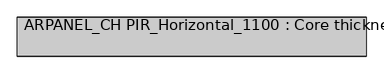
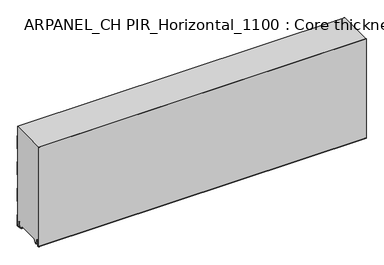
"""IFC4 building model written with IfcOpenShell, lengths in millimetres: plate geometry, ARPANEL_CH PIR_Horizontal_1100 : Core thickness - 140 mm."""

from ifc_helpers import new_model, si_unit, frame, origin, place, context, project, spatial, polyline, circle_curve, source, transform, mapped, element, save
from ifc_brep_helpers import plane_surface, cylinder_surface, revolved_surface, advanced_brep


def arpanel_ch_pir_horizontal_1100_core_thickness_140_mm_c5b9d94b(model_context):
    return source(origin(), model_context, "Body", "AdvancedBrep", [
        advanced_brep(
        [(620.0, -139.9996949, 3.0900682), (620.0, -133.81449, 2.7875612), (620.0, -132.197116, 19.2828169), (620.0, -129.1776715, 21.9898782), (620.0, -126.1582271, 19.2828169), (620.0, -124.7725998, 5.1510966), (620.0, -120.3830995, 5.365779), (620.0, -121.1830995, 5.365779), (620.0, -123.9764178, 5.2291629), (620.0, -125.3620451, 19.3608832), (620.0, -129.1776715, 22.7899182), (620.0, -132.9932979, 19.3608832), (620.0, -134.6106719, 2.8656275), (620.0, -139.1996949, 3.0900682), (620.0, -139.2, 400.0), (620.0, -139.9996949, 400.0), (-620.0, -139.1996949, 3.0900682), (-620.0, -134.6106719, 2.8656275), (-620.0, -132.9932979, 19.3608832), (-620.0, -129.1776715, 22.7899182), (-620.0, -125.3620451, 19.3608832), (-620.0, -123.9764178, 5.2291629), (-620.0, -121.1830995, 5.365779), (-620.0, -120.3830995, 5.365779), (-620.0, -124.7725998, 5.1510966), (-620.0, -126.1582271, 19.2828169), (-620.0, -129.1776715, 21.9898782), (-620.0, -132.197116, 19.2828169), (-620.0, -133.81449, 2.7875612), (-620.0, -139.9996949, 3.0900682), (-620.0, -139.9996949, 400.0), (-620.0, -139.2, 400.0)],
        [
            (0, 1, circle_curve(frame((620.0, -136.8996949, 3.0900682), z_axis=(1.0, 0.0, 0.0), x_axis=(0.0, 0.0, -1.0)), 3.1)),
            (1, 2),
            (2, 3, circle_curve(frame((620.0, -129.2114338, 18.9900682), z_axis=(-1.0, 0.0, 0.0), x_axis=(0.0, 0.0, -1.0)), 3.0)),
            (3, 4, circle_curve(frame((620.0, -129.1439093, 18.9900682), z_axis=(-1.0, 0.0, 0.0), x_axis=(0.0, 0.0, -1.0)), 3.0)),
            (4, 5),
            (5, 6, circle_curve(frame((620.0, -122.5830995, 5.365779), z_axis=(1.0, 0.0, 0.0), x_axis=(0.0, 0.0, -1.0)), 2.2)),
            (6, 7),
            (7, 8, circle_curve(frame((620.0, -122.5830995, 5.365779), z_axis=(-1.0, 0.0, 0.0), x_axis=(0.0, 0.0, -1.0)), 1.4)),
            (8, 9),
            (9, 10, circle_curve(frame((620.0, -129.1439093, 18.9900682), z_axis=(1.0, 0.0, 0.0), x_axis=(0.0, 0.0, -1.0)), 3.8)),
            (10, 11, circle_curve(frame((620.0, -129.2114338, 18.9900682), z_axis=(1.0, 0.0, 0.0), x_axis=(0.0, 0.0, -1.0)), 3.8)),
            (11, 12),
            (12, 13, circle_curve(frame((620.0, -136.8996949, 3.0900682), z_axis=(-1.0, 0.0, 0.0), x_axis=(0.0, 0.0, -1.0)), 2.3)),
            (13, 14),
            (14, 15),
            (15, 0),
            (16, 17, circle_curve(frame((-620.0, -136.8996949, 3.0900682), z_axis=(1.0, 0.0, 0.0), x_axis=(0.0, 0.0, -1.0)), 2.3)),
            (17, 18),
            (18, 19, circle_curve(frame((-620.0, -129.2114338, 18.9900682), z_axis=(-1.0, 0.0, 0.0), x_axis=(0.0, 0.0, -1.0)), 3.8)),
            (19, 20, circle_curve(frame((-620.0, -129.1439093, 18.9900682), z_axis=(-1.0, 0.0, 0.0), x_axis=(0.0, 0.0, -1.0)), 3.8)),
            (20, 21),
            (21, 22, circle_curve(frame((-620.0, -122.5830995, 5.365779), z_axis=(1.0, 0.0, 0.0), x_axis=(0.0, 0.0, -1.0)), 1.4)),
            (22, 23),
            (23, 24, circle_curve(frame((-620.0, -122.5830995, 5.365779), z_axis=(-1.0, 0.0, 0.0), x_axis=(0.0, 0.0, -1.0)), 2.2)),
            (24, 25),
            (25, 26, circle_curve(frame((-620.0, -129.1439093, 18.9900682), z_axis=(1.0, 0.0, 0.0), x_axis=(0.0, 0.0, -1.0)), 3.0)),
            (26, 27, circle_curve(frame((-620.0, -129.2114338, 18.9900682), z_axis=(1.0, 0.0, 0.0), x_axis=(0.0, 0.0, -1.0)), 3.0)),
            (27, 28),
            (28, 29, circle_curve(frame((-620.0, -136.8996949, 3.0900682), z_axis=(-1.0, 0.0, 0.0), x_axis=(0.0, 0.0, -1.0)), 3.1)),
            (29, 30),
            (30, 31),
            (31, 16),
            (13, 16),
            (31, 14),
            (29, 0),
            (15, 30),
            (12, 17),
            (11, 18),
            (10, 19),
            (9, 20),
            (8, 21),
            (7, 22),
            (6, 23),
            (5, 24),
            (4, 25),
            (3, 26),
            (2, 27),
            (1, 28),
        ],
        [
            plane_surface(frame((620.0, -140.0, 0.0), z_axis=(1.0, 0.0, 0.0), x_axis=(0.0, 1.0, 0.0))),
            plane_surface(frame((-620.0, -140.0, 0.0), z_axis=(-1.0, 0.0, 0.0), x_axis=(0.0, 1.0, 0.0))),
            plane_surface(frame((620.0, -139.2, 3.0900682), z_axis=(0.0, 1.0, 0.0), x_axis=(-1.0, 0.0, 0.0))),
            plane_surface(frame((620.0, -139.9996949, 1093.9000005), z_axis=(0.0, -1.0, 0.0), x_axis=(-1.0, 0.0, 0.0))),
            revolved_surface(polyline([(-620.0, -136.8996949, 0.7900682000000003), (620.0, -136.8996949, 0.7900682000000003)]), (620.0, -136.8996949, 3.0900682), (-1.0, 0.0, 0.0)),
            plane_surface(frame((620.0, -132.9932979, 19.3608832), z_axis=(0.0, -0.9952273999818314, 0.09758289975914787), x_axis=(-1.0, 0.0, 0.0))),
            cylinder_surface(frame((620.0, -129.2114338, 18.9900682), z_axis=(1.0, 0.0, 0.0), x_axis=(0.0, 0.0, -1.0)), 3.8),
            cylinder_surface(frame((620.0, -129.1439093, 18.9900682), z_axis=(1.0, 0.0, 0.0), x_axis=(0.0, 0.0, -1.0)), 3.8),
            plane_surface(frame((620.0, -123.9764178, 5.2291629), z_axis=(0.0, 0.9952273999818297, 0.09758289975916531), x_axis=(-1.0, 0.0, 0.0))),
            revolved_surface(polyline([(-620.0, -122.5830995, 3.965779), (620.0, -122.5830995, 3.965779)]), (620.0, -122.5830995, 5.365779), (-1.0, 0.0, 0.0)),
            plane_surface(frame((620.0, -120.3830995, 5.365779), z_axis=(0.0, 0.0, 1.0), x_axis=(-1.0, 0.0, 0.0))),
            cylinder_surface(frame((620.0, -122.5830995, 5.365779), z_axis=(1.0, 0.0, 0.0), x_axis=(0.0, 0.0, -1.0)), 2.2),
            plane_surface(frame((620.0, -126.1582271, 19.2828169), z_axis=(0.0, -0.9952273999818296, -0.09758289975916527), x_axis=(-1.0, 0.0, 0.0))),
            revolved_surface(polyline([(-620.0, -129.1439093, 15.9900682), (620.0, -129.1439093, 15.9900682)]), (620.0, -129.1439093, 18.9900682), (-1.0, 0.0, 0.0)),
            revolved_surface(polyline([(-620.0, -129.2114338, 15.9900682), (620.0, -129.2114338, 15.9900682)]), (620.0, -129.2114338, 18.9900682), (-1.0, 0.0, 0.0)),
            plane_surface(frame((620.0, -133.81449, 2.7875612), z_axis=(0.0, 0.9952273999818314, -0.09758289975914787), x_axis=(-1.0, 0.0, 0.0))),
            cylinder_surface(frame((620.0, -136.8996949, 3.0900682), z_axis=(1.0, 0.0, 0.0), x_axis=(0.0, 0.0, -1.0)), 3.1),
            plane_surface(frame((-620.0, 134.0533409, 400.0), z_axis=(0.0, 0.0, 1.0), x_axis=(1.0, 0.0, 0.0))),
        ],
        [
            (0, [[1, 2, 3, 4, 5, 6, 7, 8, 9, 10, 11, 12, 13, 14, 15, 16]]),
            (1, [[17, 18, 19, 20, 21, 22, 23, 24, 25, 26, 27, 28, 29, 30, 31, 32]]),
            (2, [[33, -32, 34, -14]]),
            (3, [[35, -16, 36, -30]]),
            (4, [[-13, 37, -17, -33]]),
            (5, [[-12, 38, -18, -37]]),
            (6, [[-11, 39, -19, -38]]),
            (7, [[-10, 40, -20, -39]]),
            (8, [[-9, 41, -21, -40]]),
            (9, [[-8, 42, -22, -41]]),
            (10, [[-7, 43, -23, -42]]),
            (11, [[-6, 44, -24, -43]]),
            (12, [[-5, 45, -25, -44]]),
            (13, [[-4, 46, -26, -45]]),
            (14, [[-3, 47, -27, -46]]),
            (15, [[-2, 48, -28, -47]]),
            (16, [[-1, -35, -29, -48]]),
            (17, [[-15, -34, -31, -36]]),
        ],
    ),
        advanced_brep(
        [(620.0, -109.873448, 15.1417681), (620.0, -30.126552, 15.1417681), (620.0, -23.4071318, 3.165779), (620.0, -17.4169005, 3.165779), (620.0, -19.6169005, 5.365779), (620.0, -18.8169005, 5.365779), (620.0, -16.0235822, 5.2291629), (620.0, -14.6379549, 19.3608832), (620.0, -10.8223285, 22.7899182), (620.0, -7.0067021, 19.3608832), (620.0, -5.3893281, 2.8656275), (620.0, -0.8003051, 3.0900682), (620.0, -0.8, 44.6827637), (620.0, -1.0986697, 45.7341795), (620.0, -1.5003051, 47.1545605), (620.0, -1.5003051, 97.3143437), (620.0, -1.0971009, 98.7337551), (620.0, -0.8, 99.7861405), (620.0, -0.8, 149.9459237), (620.0, -1.0986697, 150.9973395), (620.0, -1.5003051, 152.4177205), (620.0, -1.5003051, 202.5775037), (620.0, -1.0971009, 203.9969151), (620.0, -0.8, 205.0493005), (620.0, -0.8, 255.2090837), (620.0, -1.0986697, 256.2604995), (620.0, -1.5003051, 257.6808805), (620.0, -1.5003051, 307.8406637), (620.0, -1.0971009, 309.2600751), (620.0, -0.8, 310.3124605), (620.0, -0.8, 360.4722437), (620.0, -1.0986697, 361.5236595), (620.0, -1.5003051, 362.9440405), (620.0, -1.5003051, 400.0), (620.0, -139.2, 400.0), (620.0, -139.2, 3.0900682), (620.0, -134.6106719, 2.8656275), (620.0, -132.9932979, 19.3608832), (620.0, -129.1776715, 22.7899182), (620.0, -125.3620451, 19.3608832), (620.0, -123.9764178, 5.2291629), (620.0, -121.1830995, 5.365779), (620.0, -120.3830995, 5.365779), (620.0, -122.5830995, 3.165779), (620.0, -116.5928682, 3.165779), (-620.0, -30.126552, 15.1417681), (-620.0, -109.873448, 15.1417681), (-620.0, -116.5928682, 3.165779), (-620.0, -122.5830995, 3.165779), (-620.0, -120.3830995, 5.365779), (-620.0, -121.1830995, 5.365779), (-620.0, -123.9764178, 5.2291629), (-620.0, -125.3620451, 19.3608832), (-620.0, -129.1776715, 22.7899182), (-620.0, -132.9932979, 19.3608832), (-620.0, -134.6106719, 2.8656275), (-620.0, -139.1996949, 3.0900682), (-620.0, -139.2, 400.0), (-620.0, -1.5003051, 400.0), (-620.0, -1.5003051, 362.9440405), (-620.0, -1.0971009, 361.5246291), (-620.0, -0.8, 360.4722437), (-620.0, -0.8, 310.3124605), (-620.0, -1.0986697, 309.2610446), (-620.0, -1.5003051, 307.8406637), (-620.0, -1.5003051, 257.6808805), (-620.0, -1.0971009, 256.2614691), (-620.0, -0.8, 255.2090837), (-620.0, -0.8, 205.0493005), (-620.0, -1.0986697, 203.9978846), (-620.0, -1.5003051, 202.5775037), (-620.0, -1.5003051, 152.4177205), (-620.0, -1.0971009, 150.9983091), (-620.0, -0.8, 149.9459237), (-620.0, -0.8, 99.7861405), (-620.0, -1.0986697, 98.7347246), (-620.0, -1.5003051, 97.3143437), (-620.0, -1.5003051, 47.1545605), (-620.0, -1.0971009, 45.7351491), (-620.0, -0.8, 44.6827637), (-620.0, -0.8, 3.0900682), (-620.0, -5.3893281, 2.8656275), (-620.0, -7.0067021, 19.3608832), (-620.0, -10.8223285, 22.7899182), (-620.0, -14.6379549, 19.3608832), (-620.0, -16.0235822, 5.2291629), (-620.0, -18.8169005, 5.365779), (-620.0, -19.6169005, 5.365779), (-620.0, -17.4169005, 3.165779), (-620.0, -23.4071318, 3.165779)],
        [
            (0, 1),
            (1, 2),
            (2, 3),
            (3, 4, circle_curve(frame((620.0, -17.4169005, 5.365779), z_axis=(-1.0, 0.0, 0.0), x_axis=(0.0, 0.0, -1.0)), 2.2)),
            (4, 5),
            (5, 6, circle_curve(frame((620.0, -17.4169005, 5.365779), z_axis=(1.0, 0.0, 0.0), x_axis=(0.0, 0.0, -1.0)), 1.4)),
            (6, 7),
            (7, 8, circle_curve(frame((620.0, -10.8560907, 18.9900682), z_axis=(-1.0, 0.0, 0.0), x_axis=(0.0, 0.0, -1.0)), 3.8)),
            (8, 9, circle_curve(frame((620.0, -10.7885662, 18.9900682), z_axis=(-1.0, 0.0, 0.0), x_axis=(0.0, 0.0, -1.0)), 3.8)),
            (9, 10),
            (10, 11, circle_curve(frame((620.0, -3.1003051, 3.0900682), z_axis=(1.0, 0.0, 0.0), x_axis=(0.0, 0.0, -1.0)), 2.3)),
            (11, 12),
            (12, 13, circle_curve(frame((620.0, -2.8, 44.6827637), z_axis=(1.0, 0.0, 0.0), x_axis=(0.0, 0.0, -1.0)), 2.0)),
            (13, 14, circle_curve(frame((620.0, 1.1996949, 47.1545605), z_axis=(-1.0, 0.0, 0.0), x_axis=(0.0, 0.0, -1.0)), 2.7)),
            (14, 15),
            (15, 16, circle_curve(frame((620.0, 1.1996949, 97.3143437), z_axis=(-1.0, 0.0, 0.0), x_axis=(0.0, 0.0, -1.0)), 2.7)),
            (16, 17, circle_curve(frame((620.0, -2.8, 99.7861405), z_axis=(1.0, 0.0, 0.0), x_axis=(0.0, 0.0, -1.0)), 2.0)),
            (17, 18),
            (18, 19, circle_curve(frame((620.0, -2.8, 149.9459237), z_axis=(1.0, 0.0, 0.0), x_axis=(0.0, 0.0, -1.0)), 2.0)),
            (19, 20, circle_curve(frame((620.0, 1.1996949, 152.4177205), z_axis=(-1.0, 0.0, 0.0), x_axis=(0.0, 0.0, -1.0)), 2.7)),
            (20, 21),
            (21, 22, circle_curve(frame((620.0, 1.1996949, 202.5775037), z_axis=(-1.0, 0.0, 0.0), x_axis=(0.0, 0.0, -1.0)), 2.7)),
            (22, 23, circle_curve(frame((620.0, -2.8, 205.0493005), z_axis=(1.0, 0.0, 0.0), x_axis=(0.0, 0.0, -1.0)), 2.0)),
            (23, 24),
            (24, 25, circle_curve(frame((620.0, -2.8, 255.2090837), z_axis=(1.0, 0.0, 0.0), x_axis=(0.0, 0.0, -1.0)), 2.0)),
            (25, 26, circle_curve(frame((620.0, 1.1996949, 257.6808805), z_axis=(-1.0, 0.0, 0.0), x_axis=(0.0, 0.0, -1.0)), 2.7)),
            (26, 27),
            (27, 28, circle_curve(frame((620.0, 1.1996949, 307.8406637), z_axis=(-1.0, 0.0, 0.0), x_axis=(0.0, 0.0, -1.0)), 2.7)),
            (28, 29, circle_curve(frame((620.0, -2.8, 310.3124605), z_axis=(1.0, 0.0, 0.0), x_axis=(0.0, 0.0, -1.0)), 2.0)),
            (29, 30),
            (30, 31, circle_curve(frame((620.0, -2.8, 360.4722437), z_axis=(1.0, 0.0, 0.0), x_axis=(0.0, 0.0, -1.0)), 2.0)),
            (31, 32, circle_curve(frame((620.0, 1.1996949, 362.9440405), z_axis=(-1.0, 0.0, 0.0), x_axis=(0.0, 0.0, -1.0)), 2.7)),
            (32, 33),
            (33, 34),
            (34, 35),
            (35, 36, circle_curve(frame((620.0, -136.8996949, 3.0900682), z_axis=(1.0, 0.0, 0.0), x_axis=(0.0, 0.0, -1.0)), 2.3)),
            (36, 37),
            (37, 38, circle_curve(frame((620.0, -129.2114338, 18.9900682), z_axis=(-1.0, 0.0, 0.0), x_axis=(0.0, 0.0, -1.0)), 3.8)),
            (38, 39, circle_curve(frame((620.0, -129.1439093, 18.9900682), z_axis=(-1.0, 0.0, 0.0), x_axis=(0.0, 0.0, -1.0)), 3.8)),
            (39, 40),
            (40, 41, circle_curve(frame((620.0, -122.5830995, 5.365779), z_axis=(1.0, 0.0, 0.0), x_axis=(0.0, 0.0, -1.0)), 1.4)),
            (41, 42),
            (42, 43, circle_curve(frame((620.0, -122.5830995, 5.365779), z_axis=(-1.0, 0.0, 0.0), x_axis=(0.0, 0.0, -1.0)), 2.2)),
            (43, 44),
            (44, 0),
            (45, 46),
            (46, 47),
            (47, 48),
            (48, 49, circle_curve(frame((-620.0, -122.5830995, 5.365779), z_axis=(1.0, 0.0, 0.0), x_axis=(0.0, 0.0, -1.0)), 2.2)),
            (49, 50),
            (50, 51, circle_curve(frame((-620.0, -122.5830995, 5.365779), z_axis=(-1.0, 0.0, 0.0), x_axis=(0.0, 0.0, -1.0)), 1.4)),
            (51, 52),
            (52, 53, circle_curve(frame((-620.0, -129.1439093, 18.9900682), z_axis=(1.0, 0.0, 0.0), x_axis=(0.0, 0.0, -1.0)), 3.8)),
            (53, 54, circle_curve(frame((-620.0, -129.2114338, 18.9900682), z_axis=(1.0, 0.0, 0.0), x_axis=(0.0, 0.0, -1.0)), 3.8)),
            (54, 55),
            (55, 56, circle_curve(frame((-620.0, -136.8996949, 3.0900682), z_axis=(-1.0, 0.0, 0.0), x_axis=(0.0, 0.0, -1.0)), 2.3)),
            (56, 57),
            (57, 58),
            (58, 59),
            (59, 60, circle_curve(frame((-620.0, 1.1996949, 362.9440405), z_axis=(1.0, 0.0, 0.0), x_axis=(0.0, 0.0, -1.0)), 2.7)),
            (60, 61, circle_curve(frame((-620.0, -2.8, 360.4722437), z_axis=(-1.0, 0.0, 0.0), x_axis=(0.0, 0.0, -1.0)), 2.0)),
            (61, 62),
            (62, 63, circle_curve(frame((-620.0, -2.8, 310.3124605), z_axis=(-1.0, 0.0, 0.0), x_axis=(0.0, 0.0, -1.0)), 2.0)),
            (63, 64, circle_curve(frame((-620.0, 1.1996949, 307.8406637), z_axis=(1.0, 0.0, 0.0), x_axis=(0.0, 0.0, -1.0)), 2.7)),
            (64, 65),
            (65, 66, circle_curve(frame((-620.0, 1.1996949, 257.6808805), z_axis=(1.0, 0.0, 0.0), x_axis=(0.0, 0.0, -1.0)), 2.7)),
            (66, 67, circle_curve(frame((-620.0, -2.8, 255.2090837), z_axis=(-1.0, 0.0, 0.0), x_axis=(0.0, 0.0, -1.0)), 2.0)),
            (67, 68),
            (68, 69, circle_curve(frame((-620.0, -2.8, 205.0493005), z_axis=(-1.0, 0.0, 0.0), x_axis=(0.0, 0.0, -1.0)), 2.0)),
            (69, 70, circle_curve(frame((-620.0, 1.1996949, 202.5775037), z_axis=(1.0, 0.0, 0.0), x_axis=(0.0, 0.0, -1.0)), 2.7)),
            (70, 71),
            (71, 72, circle_curve(frame((-620.0, 1.1996949, 152.4177205), z_axis=(1.0, 0.0, 0.0), x_axis=(0.0, 0.0, -1.0)), 2.7)),
            (72, 73, circle_curve(frame((-620.0, -2.8, 149.9459237), z_axis=(-1.0, 0.0, 0.0), x_axis=(0.0, 0.0, -1.0)), 2.0)),
            (73, 74),
            (74, 75, circle_curve(frame((-620.0, -2.8, 99.7861405), z_axis=(-1.0, 0.0, 0.0), x_axis=(0.0, 0.0, -1.0)), 2.0)),
            (75, 76, circle_curve(frame((-620.0, 1.1996949, 97.3143437), z_axis=(1.0, 0.0, 0.0), x_axis=(0.0, 0.0, -1.0)), 2.7)),
            (76, 77),
            (77, 78, circle_curve(frame((-620.0, 1.1996949, 47.1545605), z_axis=(1.0, 0.0, 0.0), x_axis=(0.0, 0.0, -1.0)), 2.7)),
            (78, 79, circle_curve(frame((-620.0, -2.8, 44.6827637), z_axis=(-1.0, 0.0, 0.0), x_axis=(0.0, 0.0, -1.0)), 2.0)),
            (79, 80),
            (80, 81, circle_curve(frame((-620.0, -3.1003051, 3.0900682), z_axis=(-1.0, 0.0, 0.0), x_axis=(0.0, 0.0, -1.0)), 2.3)),
            (81, 82),
            (82, 83, circle_curve(frame((-620.0, -10.7885662, 18.9900682), z_axis=(1.0, 0.0, 0.0), x_axis=(0.0, 0.0, -1.0)), 3.8)),
            (83, 84, circle_curve(frame((-620.0, -10.8560907, 18.9900682), z_axis=(1.0, 0.0, 0.0), x_axis=(0.0, 0.0, -1.0)), 3.8)),
            (84, 85),
            (85, 86, circle_curve(frame((-620.0, -17.4169005, 5.365779), z_axis=(-1.0, 0.0, 0.0), x_axis=(0.0, 0.0, -1.0)), 1.4)),
            (86, 87),
            (87, 88, circle_curve(frame((-620.0, -17.4169005, 5.365779), z_axis=(1.0, 0.0, 0.0), x_axis=(0.0, 0.0, -1.0)), 2.2)),
            (88, 89),
            (89, 45),
            (1, 45),
            (89, 2),
            (0, 46),
            (44, 47),
            (72, 19),
            (18, 73),
            (71, 20),
            (70, 21),
            (69, 22),
            (68, 23),
            (67, 24),
            (66, 25),
            (65, 26),
            (64, 27),
            (63, 28),
            (62, 29),
            (61, 30),
            (60, 31),
            (59, 32),
            (58, 33),
            (56, 35),
            (34, 57),
            (88, 3),
            (43, 48),
            (87, 4),
            (86, 5),
            (85, 6),
            (84, 7),
            (83, 8),
            (82, 9),
            (81, 10),
            (80, 11),
            (79, 12),
            (78, 13),
            (77, 14),
            (76, 15),
            (75, 16),
            (74, 17),
            (55, 36),
            (54, 37),
            (53, 38),
            (52, 39),
            (51, 40),
            (50, 41),
            (49, 42),
        ],
        [
            plane_surface(frame((620.0, 0.0, 0.0), z_axis=(1.0, 0.0, 0.0), x_axis=(0.0, -1.0, 0.0))),
            plane_surface(frame((-620.0, 0.0, 0.0), z_axis=(-1.0, 0.0, 0.0), x_axis=(0.0, -1.0, 0.0))),
            plane_surface(frame((620.0, -30.126552, 15.1417681), z_axis=(0.0, -0.8721062992196836, -0.4893164649399687), x_axis=(-1.0, 0.0, 0.0))),
            plane_surface(frame((620.0, -109.873448, 15.1417681), z_axis=(0.0, 0.0, -1.0), x_axis=(-1.0, 0.0, 0.0))),
            plane_surface(frame((620.0, -116.8190247, 2.7627014), z_axis=(0.0, 0.8721062992196862, -0.4893164649399642), x_axis=(-1.0, 0.0, 0.0))),
            cylinder_surface(frame((750.0, -2.8, 149.9459237), z_axis=(-1.0, 0.0, 0.0), x_axis=(0.0, 0.0, -1.0)), 2.0),
            revolved_surface(polyline([(620.0, 1.1996949, 149.7177205), (-620.0, 1.1996949, 149.7177205)]), (750.0, 1.1996949, 152.4177205), (1.0, 0.0, 0.0)),
            plane_surface(frame((750.0, -1.5003051, 202.5775037), z_axis=(0.0, 1.0, 0.0), x_axis=(-1.0, 0.0, 0.0))),
            revolved_surface(polyline([(620.0, 1.1996949, 199.8775037), (-620.0, 1.1996949, 199.8775037)]), (750.0, 1.1996949, 202.5775037), (1.0, 0.0, 0.0)),
            cylinder_surface(frame((750.0, -2.8, 205.0493005), z_axis=(-1.0, 0.0, 0.0), x_axis=(0.0, 0.0, -1.0)), 2.0),
            plane_surface(frame((750.0, -0.8, 255.2090837), z_axis=(0.0, 1.0, 0.0), x_axis=(-1.0, 0.0, 0.0))),
            cylinder_surface(frame((750.0, -2.8, 255.2090837), z_axis=(-1.0, 0.0, 0.0), x_axis=(0.0, 0.0, -1.0)), 2.0),
            revolved_surface(polyline([(620.0, 1.1996949, 254.9808805), (-620.0, 1.1996949, 254.9808805)]), (750.0, 1.1996949, 257.6808805), (1.0, 0.0, 0.0)),
            plane_surface(frame((750.0, -1.5003051, 307.8406637), z_axis=(0.0, 1.0, 0.0), x_axis=(-1.0, 0.0, 0.0))),
            revolved_surface(polyline([(620.0, 1.1996949, 305.1406637), (-620.0, 1.1996949, 305.1406637)]), (750.0, 1.1996949, 307.8406637), (1.0, 0.0, 0.0)),
            cylinder_surface(frame((750.0, -2.8, 310.3124605), z_axis=(-1.0, 0.0, 0.0), x_axis=(0.0, 0.0, -1.0)), 2.0),
            plane_surface(frame((750.0, -0.8, 360.4722437), z_axis=(0.0, 1.0, 0.0), x_axis=(-1.0, 0.0, 0.0))),
            cylinder_surface(frame((750.0, -2.8, 360.4722437), z_axis=(-1.0, 0.0, 0.0), x_axis=(0.0, 0.0, -1.0)), 2.0),
            revolved_surface(polyline([(620.0, 1.1996949, 360.24404050000004), (-620.0, 1.1996949, 360.24404050000004)]), (750.0, 1.1996949, 362.9440405), (1.0, 0.0, 0.0)),
            plane_surface(frame((750.0, -1.5003051, 413.1038237), z_axis=(0.0, 1.0, 0.0), x_axis=(-1.0, 0.0, 0.0))),
            plane_surface(frame((750.0, -139.2, 3.0900682), z_axis=(0.0, -1.0, 0.0), x_axis=(-1.0, 0.0, 0.0))),
            plane_surface(frame((-620.0, -122.5830995, 3.165779), z_axis=(0.0, 0.0, -1.0), x_axis=(1.0, 0.0, 0.0))),
            revolved_surface(polyline([(620.0, -17.4169005, 3.1657789999999997), (-620.0, -17.4169005, 3.1657789999999997)]), (750.0, -17.4169005, 5.365779), (1.0, 0.0, 0.0)),
            plane_surface(frame((750.0, -18.8169005, 5.365779), z_axis=(0.0, 0.0, -1.0), x_axis=(-1.0, 0.0, 0.0))),
            cylinder_surface(frame((750.0, -17.4169005, 5.365779), z_axis=(-1.0, 0.0, 0.0), x_axis=(0.0, 0.0, -1.0)), 1.4),
            plane_surface(frame((750.0, -14.6379549, 19.3608832), z_axis=(0.0, 0.9952273999818297, -0.09758289975916531), x_axis=(-1.0, 0.0, 0.0))),
            revolved_surface(polyline([(620.0, -10.8560907, 15.190068199999999), (-620.0, -10.8560907, 15.190068199999999)]), (750.0, -10.8560907, 18.9900682), (1.0, 0.0, 0.0)),
            revolved_surface(polyline([(620.0, -10.7885662, 15.190068199999999), (-620.0, -10.7885662, 15.190068199999999)]), (750.0, -10.7885662, 18.9900682), (1.0, 0.0, 0.0)),
            plane_surface(frame((750.0, -5.3893281, 2.8656275), z_axis=(0.0, -0.9952273999818314, -0.09758289975914787), x_axis=(-1.0, 0.0, 0.0))),
            cylinder_surface(frame((750.0, -3.1003051, 3.0900682), z_axis=(-1.0, 0.0, 0.0), x_axis=(0.0, 0.0, -1.0)), 2.3),
            plane_surface(frame((750.0, -0.8, 44.6827637), z_axis=(0.0, 1.0, 0.0), x_axis=(-1.0, 0.0, 0.0))),
            cylinder_surface(frame((750.0, -2.8, 44.6827637), z_axis=(-1.0, 0.0, 0.0), x_axis=(0.0, 0.0, -1.0)), 2.0),
            revolved_surface(polyline([(620.0, 1.1996949, 44.4545605), (-620.0, 1.1996949, 44.4545605)]), (750.0, 1.1996949, 47.1545605), (1.0, 0.0, 0.0)),
            plane_surface(frame((750.0, -1.5003051, 97.3143437), z_axis=(0.0, 1.0, 0.0), x_axis=(-1.0, 0.0, 0.0))),
            revolved_surface(polyline([(620.0, 1.1996949, 94.61434369999999), (-620.0, 1.1996949, 94.61434369999999)]), (750.0, 1.1996949, 97.3143437), (1.0, 0.0, 0.0)),
            cylinder_surface(frame((750.0, -2.8, 99.7861405), z_axis=(-1.0, 0.0, 0.0), x_axis=(0.0, 0.0, -1.0)), 2.0),
            plane_surface(frame((750.0, -0.8, 149.9459237), z_axis=(0.0, 1.0, 0.0), x_axis=(-1.0, 0.0, 0.0))),
            cylinder_surface(frame((750.0, -136.8996949, 3.0900682), z_axis=(-1.0, 0.0, 0.0), x_axis=(0.0, 0.0, -1.0)), 2.3),
            plane_surface(frame((750.0, -132.9932979, 19.3608832), z_axis=(0.0, 0.9952273999818314, -0.09758289975914787), x_axis=(-1.0, 0.0, 0.0))),
            revolved_surface(polyline([(620.0, -129.2114338, 15.190068199999999), (-620.0, -129.2114338, 15.190068199999999)]), (750.0, -129.2114338, 18.9900682), (1.0, 0.0, 0.0)),
            revolved_surface(polyline([(620.0, -129.1439093, 15.190068199999999), (-620.0, -129.1439093, 15.190068199999999)]), (750.0, -129.1439093, 18.9900682), (1.0, 0.0, 0.0)),
            plane_surface(frame((750.0, -123.9764178, 5.2291629), z_axis=(0.0, -0.9952273999818297, -0.09758289975916531), x_axis=(-1.0, 0.0, 0.0))),
            cylinder_surface(frame((750.0, -122.5830995, 5.365779), z_axis=(-1.0, 0.0, 0.0), x_axis=(0.0, 0.0, -1.0)), 1.4),
            plane_surface(frame((750.0, -120.3830995, 5.365779), z_axis=(0.0, 0.0, -1.0), x_axis=(-1.0, 0.0, 0.0))),
            revolved_surface(polyline([(620.0, -122.5830995, 3.1657789999999997), (-620.0, -122.5830995, 3.1657789999999997)]), (750.0, -122.5830995, 5.365779), (1.0, 0.0, 0.0)),
            plane_surface(frame((-620.0, 134.0533409, 400.0), z_axis=(0.0, 0.0, 1.0), x_axis=(1.0, 0.0, 0.0))),
        ],
        [
            (0, [[1, 2, 3, 4, 5, 6, 7, 8, 9, 10, 11, 12, 13, 14, 15, 16, 17, 18, 19, 20, 21, 22, 23, 24, 25, 26, 27, 28, 29, 30, 31, 32, 33, 34, 35, 36, 37, 38, 39, 40, 41, 42, 43, 44, 45]]),
            (1, [[46, 47, 48, 49, 50, 51, 52, 53, 54, 55, 56, 57, 58, 59, 60, 61, 62, 63, 64, 65, 66, 67, 68, 69, 70, 71, 72, 73, 74, 75, 76, 77, 78, 79, 80, 81, 82, 83, 84, 85, 86, 87, 88, 89, 90]]),
            (2, [[91, -90, 92, -2]]),
            (3, [[-1, 93, -46, -91]]),
            (4, [[-93, -45, 94, -47]]),
            (5, [[95, -19, 96, -73]]),
            (6, [[-95, -72, 97, -20]]),
            (7, [[-97, -71, 98, -21]]),
            (8, [[-98, -70, 99, -22]]),
            (9, [[-99, -69, 100, -23]]),
            (10, [[-100, -68, 101, -24]]),
            (11, [[-101, -67, 102, -25]]),
            (12, [[-102, -66, 103, -26]]),
            (13, [[-103, -65, 104, -27]]),
            (14, [[-104, -64, 105, -28]]),
            (15, [[-105, -63, 106, -29]]),
            (16, [[-106, -62, 107, -30]]),
            (17, [[-107, -61, 108, -31]]),
            (18, [[-108, -60, 109, -32]]),
            (19, [[-109, -59, 110, -33]]),
            (20, [[111, -35, 112, -57]]),
            (21, [[-3, -92, -89, 113]]),
            (21, [[-44, 114, -48, -94]]),
            (22, [[115, -4, -113, -88]]),
            (23, [[-115, -87, 116, -5]]),
            (24, [[-116, -86, 117, -6]]),
            (25, [[-117, -85, 118, -7]]),
            (26, [[-118, -84, 119, -8]]),
            (27, [[-119, -83, 120, -9]]),
            (28, [[-120, -82, 121, -10]]),
            (29, [[-121, -81, 122, -11]]),
            (30, [[-122, -80, 123, -12]]),
            (31, [[-123, -79, 124, -13]]),
            (32, [[-124, -78, 125, -14]]),
            (33, [[-125, -77, 126, -15]]),
            (34, [[-126, -76, 127, -16]]),
            (35, [[-127, -75, 128, -17]]),
            (36, [[-128, -74, -96, -18]]),
            (37, [[-111, -56, 129, -36]]),
            (38, [[-129, -55, 130, -37]]),
            (39, [[-130, -54, 131, -38]]),
            (40, [[-131, -53, 132, -39]]),
            (41, [[-132, -52, 133, -40]]),
            (42, [[-133, -51, 134, -41]]),
            (43, [[-134, -50, 135, -42]]),
            (44, [[-135, -49, -114, -43]]),
            (45, [[-110, -58, -112, -34]]),
        ],
    ),
        advanced_brep(
        [(-620.0, -0.7003051, 362.9440405), (-620.0, -0.4016712, 361.8926826), (-620.0, -0.0003051, 360.4722437), (-620.0, -0.0003051, 310.3124605), (-620.0, -0.4034608, 308.8931274), (-620.0, -0.7003051, 307.8406637), (-620.0, -0.7003051, 257.6808805), (-620.0, -0.4016712, 256.6295226), (-620.0, -0.0003051, 255.2090837), (-620.0, -0.0003051, 205.0493005), (-620.0, -0.4034608, 203.6299674), (-620.0, -0.7003051, 202.5775037), (-620.0, -0.7003051, 152.4177205), (-620.0, -0.4016712, 151.3663626), (-620.0, -0.0003051, 149.9459237), (-620.0, -0.0003051, 99.7861405), (-620.0, -0.4034608, 98.3668074), (-620.0, -0.7003051, 97.3143437), (-620.0, -0.7003051, 47.1545605), (-620.0, -0.4016712, 46.1032026), (-620.0, -0.0003051, 44.6827637), (-620.0, -0.0003051, 3.0900682), (-620.0, -6.18551, 2.7875612), (-620.0, -7.802884, 19.2828169), (-620.0, -10.8223285, 21.9898782), (-620.0, -13.8417729, 19.2828169), (-620.0, -15.2274002, 5.1510966), (-620.0, -19.6169005, 5.365779), (-620.0, -18.8169005, 5.365779), (-620.0, -16.0235822, 5.2291629), (-620.0, -14.6379549, 19.3608832), (-620.0, -10.8223285, 22.7899182), (-620.0, -7.0067021, 19.3608832), (-620.0, -5.3893281, 2.8656275), (-620.0, -0.8003051, 3.0900682), (-620.0, -0.8, 44.6827637), (-620.0, -1.0986697, 45.7341795), (-620.0, -1.5003051, 47.1545605), (-620.0, -1.5003051, 97.3143437), (-620.0, -1.0971009, 98.7337551), (-620.0, -0.8, 99.7861405), (-620.0, -0.8, 149.9459237), (-620.0, -1.0986697, 150.9973395), (-620.0, -1.5003051, 152.4177205), (-620.0, -1.5003051, 202.5775037), (-620.0, -1.0971009, 203.9969151), (-620.0, -0.8, 205.0493005), (-620.0, -0.8, 255.2090837), (-620.0, -1.0986697, 256.2604995), (-620.0, -1.5003051, 257.6808805), (-620.0, -1.5003051, 307.8406637), (-620.0, -1.0971009, 309.2600751), (-620.0, -0.8, 310.3124605), (-620.0, -0.8, 360.4722437), (-620.0, -1.0986697, 361.5236595), (-620.0, -1.5003051, 362.9440405), (-620.0, -1.5003051, 400.0), (-620.0, -0.7003051, 400.0), (620.0, -1.5003051, 362.9440405), (620.0, -1.0971009, 361.5246291), (620.0, -0.8, 360.4722437), (620.0, -0.8, 310.3124605), (620.0, -1.0986697, 309.2610446), (620.0, -1.5003051, 307.8406637), (620.0, -1.5003051, 257.6808805), (620.0, -1.0971009, 256.2614691), (620.0, -0.8, 255.2090837), (620.0, -0.8, 205.0493005), (620.0, -1.0986697, 203.9978846), (620.0, -1.5003051, 202.5775037), (620.0, -1.5003051, 152.4177205), (620.0, -1.0971009, 150.9983091), (620.0, -0.8, 149.9459237), (620.0, -0.8, 99.7861405), (620.0, -1.0986697, 98.7347246), (620.0, -1.5003051, 97.3143437), (620.0, -1.5003051, 47.1545605), (620.0, -1.0971009, 45.7351491), (620.0, -0.8, 44.6827637), (620.0, -0.8, 3.0900682), (620.0, -5.3893281, 2.8656275), (620.0, -7.0067021, 19.3608832), (620.0, -10.8223285, 22.7899182), (620.0, -14.6379549, 19.3608832), (620.0, -16.0235822, 5.2291629), (620.0, -18.8169005, 5.365779), (620.0, -19.6169005, 5.365779), (620.0, -15.2274002, 5.1510966), (620.0, -13.8417729, 19.2828169), (620.0, -10.8223285, 21.9898782), (620.0, -7.802884, 19.2828169), (620.0, -6.18551, 2.7875612), (620.0, -0.0003051, 3.0900682), (620.0, -0.0003051, 44.6827637), (620.0, -0.4034608, 46.1020968), (620.0, -0.7003051, 47.1545605), (620.0, -0.7003051, 97.3143437), (620.0, -0.4016712, 98.3657015), (620.0, -0.0003051, 99.7861405), (620.0, -0.0003051, 149.9459237), (620.0, -0.4034608, 151.3652568), (620.0, -0.7003051, 152.4177205), (620.0, -0.7003051, 202.5775037), (620.0, -0.4016712, 203.6288615), (620.0, -0.0003051, 205.0493005), (620.0, -0.0003051, 255.2090837), (620.0, -0.4034608, 256.6284168), (620.0, -0.7003051, 257.6808805), (620.0, -0.7003051, 307.8406637), (620.0, -0.4016712, 308.8920215), (620.0, -0.0003051, 310.3124605), (620.0, -0.0003051, 360.4722437), (620.0, -0.4034608, 361.8915768), (620.0, -0.7003051, 362.9440405), (620.0, -0.7003051, 400.0), (620.0, -1.5003051, 400.0)],
        [
            (0, 1, circle_curve(frame((-620.0, 1.2996949, 362.9440405), z_axis=(1.0, 0.0, 0.0), x_axis=(0.0, 0.0, -1.0)), 2.0)),
            (1, 2, circle_curve(frame((-620.0, -2.7003051, 360.4722437), z_axis=(-1.0, 0.0, 0.0), x_axis=(0.0, 0.0, -1.0)), 2.7)),
            (2, 3),
            (3, 4, circle_curve(frame((-620.0, -2.7003051, 310.3124605), z_axis=(-1.0, 0.0, 0.0), x_axis=(0.0, 0.0, -1.0)), 2.7)),
            (4, 5, circle_curve(frame((-620.0, 1.2996949, 307.8406637), z_axis=(1.0, 0.0, 0.0), x_axis=(0.0, 0.0, -1.0)), 2.0)),
            (5, 6),
            (6, 7, circle_curve(frame((-620.0, 1.2996949, 257.6808805), z_axis=(1.0, 0.0, 0.0), x_axis=(0.0, 0.0, -1.0)), 2.0)),
            (7, 8, circle_curve(frame((-620.0, -2.7003051, 255.2090837), z_axis=(-1.0, 0.0, 0.0), x_axis=(0.0, 0.0, -1.0)), 2.7)),
            (8, 9),
            (9, 10, circle_curve(frame((-620.0, -2.7003051, 205.0493005), z_axis=(-1.0, 0.0, 0.0), x_axis=(0.0, 0.0, -1.0)), 2.7)),
            (10, 11, circle_curve(frame((-620.0, 1.2996949, 202.5775037), z_axis=(1.0, 0.0, 0.0), x_axis=(0.0, 0.0, -1.0)), 2.0)),
            (11, 12),
            (12, 13, circle_curve(frame((-620.0, 1.2996949, 152.4177205), z_axis=(1.0, 0.0, 0.0), x_axis=(0.0, 0.0, -1.0)), 2.0)),
            (13, 14, circle_curve(frame((-620.0, -2.7003051, 149.9459237), z_axis=(-1.0, 0.0, 0.0), x_axis=(0.0, 0.0, -1.0)), 2.7)),
            (14, 15),
            (15, 16, circle_curve(frame((-620.0, -2.7003051, 99.7861405), z_axis=(-1.0, 0.0, 0.0), x_axis=(0.0, 0.0, -1.0)), 2.7)),
            (16, 17, circle_curve(frame((-620.0, 1.2996949, 97.3143437), z_axis=(1.0, 0.0, 0.0), x_axis=(0.0, 0.0, -1.0)), 2.0)),
            (17, 18),
            (18, 19, circle_curve(frame((-620.0, 1.2996949, 47.1545605), z_axis=(1.0, 0.0, 0.0), x_axis=(0.0, 0.0, -1.0)), 2.0)),
            (19, 20, circle_curve(frame((-620.0, -2.7003051, 44.6827637), z_axis=(-1.0, 0.0, 0.0), x_axis=(0.0, 0.0, -1.0)), 2.7)),
            (20, 21),
            (21, 22, circle_curve(frame((-620.0, -3.1003051, 3.0900682), z_axis=(-1.0, 0.0, 0.0), x_axis=(0.0, 0.0, -1.0)), 3.1)),
            (22, 23),
            (23, 24, circle_curve(frame((-620.0, -10.7885662, 18.9900682), z_axis=(1.0, 0.0, 0.0), x_axis=(0.0, 0.0, -1.0)), 3.0)),
            (24, 25, circle_curve(frame((-620.0, -10.8560907, 18.9900682), z_axis=(1.0, 0.0, 0.0), x_axis=(0.0, 0.0, -1.0)), 3.0)),
            (25, 26),
            (26, 27, circle_curve(frame((-620.0, -17.4169005, 5.365779), z_axis=(-1.0, 0.0, 0.0), x_axis=(0.0, 0.0, -1.0)), 2.2)),
            (27, 28),
            (28, 29, circle_curve(frame((-620.0, -17.4169005, 5.365779), z_axis=(1.0, 0.0, 0.0), x_axis=(0.0, 0.0, -1.0)), 1.4)),
            (29, 30),
            (30, 31, circle_curve(frame((-620.0, -10.8560907, 18.9900682), z_axis=(-1.0, 0.0, 0.0), x_axis=(0.0, 0.0, -1.0)), 3.8)),
            (31, 32, circle_curve(frame((-620.0, -10.7885662, 18.9900682), z_axis=(-1.0, 0.0, 0.0), x_axis=(0.0, 0.0, -1.0)), 3.8)),
            (32, 33),
            (33, 34, circle_curve(frame((-620.0, -3.1003051, 3.0900682), z_axis=(1.0, 0.0, 0.0), x_axis=(0.0, 0.0, -1.0)), 2.3)),
            (34, 35),
            (35, 36, circle_curve(frame((-620.0, -2.8, 44.6827637), z_axis=(1.0, 0.0, 0.0), x_axis=(0.0, 0.0, -1.0)), 2.0)),
            (36, 37, circle_curve(frame((-620.0, 1.1996949, 47.1545605), z_axis=(-1.0, 0.0, 0.0), x_axis=(0.0, 0.0, -1.0)), 2.7)),
            (37, 38),
            (38, 39, circle_curve(frame((-620.0, 1.1996949, 97.3143437), z_axis=(-1.0, 0.0, 0.0), x_axis=(0.0, 0.0, -1.0)), 2.7)),
            (39, 40, circle_curve(frame((-620.0, -2.8, 99.7861405), z_axis=(1.0, 0.0, 0.0), x_axis=(0.0, 0.0, -1.0)), 2.0)),
            (40, 41),
            (41, 42, circle_curve(frame((-620.0, -2.8, 149.9459237), z_axis=(1.0, 0.0, 0.0), x_axis=(0.0, 0.0, -1.0)), 2.0)),
            (42, 43, circle_curve(frame((-620.0, 1.1996949, 152.4177205), z_axis=(-1.0, 0.0, 0.0), x_axis=(0.0, 0.0, -1.0)), 2.7)),
            (43, 44),
            (44, 45, circle_curve(frame((-620.0, 1.1996949, 202.5775037), z_axis=(-1.0, 0.0, 0.0), x_axis=(0.0, 0.0, -1.0)), 2.7)),
            (45, 46, circle_curve(frame((-620.0, -2.8, 205.0493005), z_axis=(1.0, 0.0, 0.0), x_axis=(0.0, 0.0, -1.0)), 2.0)),
            (46, 47),
            (47, 48, circle_curve(frame((-620.0, -2.8, 255.2090837), z_axis=(1.0, 0.0, 0.0), x_axis=(0.0, 0.0, -1.0)), 2.0)),
            (48, 49, circle_curve(frame((-620.0, 1.1996949, 257.6808805), z_axis=(-1.0, 0.0, 0.0), x_axis=(0.0, 0.0, -1.0)), 2.7)),
            (49, 50),
            (50, 51, circle_curve(frame((-620.0, 1.1996949, 307.8406637), z_axis=(-1.0, 0.0, 0.0), x_axis=(0.0, 0.0, -1.0)), 2.7)),
            (51, 52, circle_curve(frame((-620.0, -2.8, 310.3124605), z_axis=(1.0, 0.0, 0.0), x_axis=(0.0, 0.0, -1.0)), 2.0)),
            (52, 53),
            (53, 54, circle_curve(frame((-620.0, -2.8, 360.4722437), z_axis=(1.0, 0.0, 0.0), x_axis=(0.0, 0.0, -1.0)), 2.0)),
            (54, 55, circle_curve(frame((-620.0, 1.1996949, 362.9440405), z_axis=(-1.0, 0.0, 0.0), x_axis=(0.0, 0.0, -1.0)), 2.7)),
            (55, 56),
            (56, 57),
            (57, 0),
            (58, 59, circle_curve(frame((620.0, 1.1996949, 362.9440405), z_axis=(1.0, 0.0, 0.0), x_axis=(0.0, 0.0, -1.0)), 2.7)),
            (59, 60, circle_curve(frame((620.0, -2.8, 360.4722437), z_axis=(-1.0, 0.0, 0.0), x_axis=(0.0, 0.0, -1.0)), 2.0)),
            (60, 61),
            (61, 62, circle_curve(frame((620.0, -2.8, 310.3124605), z_axis=(-1.0, 0.0, 0.0), x_axis=(0.0, 0.0, -1.0)), 2.0)),
            (62, 63, circle_curve(frame((620.0, 1.1996949, 307.8406637), z_axis=(1.0, 0.0, 0.0), x_axis=(0.0, 0.0, -1.0)), 2.7)),
            (63, 64),
            (64, 65, circle_curve(frame((620.0, 1.1996949, 257.6808805), z_axis=(1.0, 0.0, 0.0), x_axis=(0.0, 0.0, -1.0)), 2.7)),
            (65, 66, circle_curve(frame((620.0, -2.8, 255.2090837), z_axis=(-1.0, 0.0, 0.0), x_axis=(0.0, 0.0, -1.0)), 2.0)),
            (66, 67),
            (67, 68, circle_curve(frame((620.0, -2.8, 205.0493005), z_axis=(-1.0, 0.0, 0.0), x_axis=(0.0, 0.0, -1.0)), 2.0)),
            (68, 69, circle_curve(frame((620.0, 1.1996949, 202.5775037), z_axis=(1.0, 0.0, 0.0), x_axis=(0.0, 0.0, -1.0)), 2.7)),
            (69, 70),
            (70, 71, circle_curve(frame((620.0, 1.1996949, 152.4177205), z_axis=(1.0, 0.0, 0.0), x_axis=(0.0, 0.0, -1.0)), 2.7)),
            (71, 72, circle_curve(frame((620.0, -2.8, 149.9459237), z_axis=(-1.0, 0.0, 0.0), x_axis=(0.0, 0.0, -1.0)), 2.0)),
            (72, 73),
            (73, 74, circle_curve(frame((620.0, -2.8, 99.7861405), z_axis=(-1.0, 0.0, 0.0), x_axis=(0.0, 0.0, -1.0)), 2.0)),
            (74, 75, circle_curve(frame((620.0, 1.1996949, 97.3143437), z_axis=(1.0, 0.0, 0.0), x_axis=(0.0, 0.0, -1.0)), 2.7)),
            (75, 76),
            (76, 77, circle_curve(frame((620.0, 1.1996949, 47.1545605), z_axis=(1.0, 0.0, 0.0), x_axis=(0.0, 0.0, -1.0)), 2.7)),
            (77, 78, circle_curve(frame((620.0, -2.8, 44.6827637), z_axis=(-1.0, 0.0, 0.0), x_axis=(0.0, 0.0, -1.0)), 2.0)),
            (78, 79),
            (79, 80, circle_curve(frame((620.0, -3.1003051, 3.0900682), z_axis=(-1.0, 0.0, 0.0), x_axis=(0.0, 0.0, -1.0)), 2.3)),
            (80, 81),
            (81, 82, circle_curve(frame((620.0, -10.7885662, 18.9900682), z_axis=(1.0, 0.0, 0.0), x_axis=(0.0, 0.0, -1.0)), 3.8)),
            (82, 83, circle_curve(frame((620.0, -10.8560907, 18.9900682), z_axis=(1.0, 0.0, 0.0), x_axis=(0.0, 0.0, -1.0)), 3.8)),
            (83, 84),
            (84, 85, circle_curve(frame((620.0, -17.4169005, 5.365779), z_axis=(-1.0, 0.0, 0.0), x_axis=(0.0, 0.0, -1.0)), 1.4)),
            (85, 86),
            (86, 87, circle_curve(frame((620.0, -17.4169005, 5.365779), z_axis=(1.0, 0.0, 0.0), x_axis=(0.0, 0.0, -1.0)), 2.2)),
            (87, 88),
            (88, 89, circle_curve(frame((620.0, -10.8560907, 18.9900682), z_axis=(-1.0, 0.0, 0.0), x_axis=(0.0, 0.0, -1.0)), 3.0)),
            (89, 90, circle_curve(frame((620.0, -10.7885662, 18.9900682), z_axis=(-1.0, 0.0, 0.0), x_axis=(0.0, 0.0, -1.0)), 3.0)),
            (90, 91),
            (91, 92, circle_curve(frame((620.0, -3.1003051, 3.0900682), z_axis=(1.0, 0.0, 0.0), x_axis=(0.0, 0.0, -1.0)), 3.1)),
            (92, 93),
            (93, 94, circle_curve(frame((620.0, -2.7003051, 44.6827637), z_axis=(1.0, 0.0, 0.0), x_axis=(0.0, 0.0, -1.0)), 2.7)),
            (94, 95, circle_curve(frame((620.0, 1.2996949, 47.1545605), z_axis=(-1.0, 0.0, 0.0), x_axis=(0.0, 0.0, -1.0)), 2.0)),
            (95, 96),
            (96, 97, circle_curve(frame((620.0, 1.2996949, 97.3143437), z_axis=(-1.0, 0.0, 0.0), x_axis=(0.0, 0.0, -1.0)), 2.0)),
            (97, 98, circle_curve(frame((620.0, -2.7003051, 99.7861405), z_axis=(1.0, 0.0, 0.0), x_axis=(0.0, 0.0, -1.0)), 2.7)),
            (98, 99),
            (99, 100, circle_curve(frame((620.0, -2.7003051, 149.9459237), z_axis=(1.0, 0.0, 0.0), x_axis=(0.0, 0.0, -1.0)), 2.7)),
            (100, 101, circle_curve(frame((620.0, 1.2996949, 152.4177205), z_axis=(-1.0, 0.0, 0.0), x_axis=(0.0, 0.0, -1.0)), 2.0)),
            (101, 102),
            (102, 103, circle_curve(frame((620.0, 1.2996949, 202.5775037), z_axis=(-1.0, 0.0, 0.0), x_axis=(0.0, 0.0, -1.0)), 2.0)),
            (103, 104, circle_curve(frame((620.0, -2.7003051, 205.0493005), z_axis=(1.0, 0.0, 0.0), x_axis=(0.0, 0.0, -1.0)), 2.7)),
            (104, 105),
            (105, 106, circle_curve(frame((620.0, -2.7003051, 255.2090837), z_axis=(1.0, 0.0, 0.0), x_axis=(0.0, 0.0, -1.0)), 2.7)),
            (106, 107, circle_curve(frame((620.0, 1.2996949, 257.6808805), z_axis=(-1.0, 0.0, 0.0), x_axis=(0.0, 0.0, -1.0)), 2.0)),
            (107, 108),
            (108, 109, circle_curve(frame((620.0, 1.2996949, 307.8406637), z_axis=(-1.0, 0.0, 0.0), x_axis=(0.0, 0.0, -1.0)), 2.0)),
            (109, 110, circle_curve(frame((620.0, -2.7003051, 310.3124605), z_axis=(1.0, 0.0, 0.0), x_axis=(0.0, 0.0, -1.0)), 2.7)),
            (110, 111),
            (111, 112, circle_curve(frame((620.0, -2.7003051, 360.4722437), z_axis=(1.0, 0.0, 0.0), x_axis=(0.0, 0.0, -1.0)), 2.7)),
            (112, 113, circle_curve(frame((620.0, 1.2996949, 362.9440405), z_axis=(-1.0, 0.0, 0.0), x_axis=(0.0, 0.0, -1.0)), 2.0)),
            (113, 114),
            (114, 115),
            (115, 58),
            (55, 58),
            (115, 56),
            (54, 59),
            (53, 60),
            (52, 61),
            (51, 62),
            (50, 63),
            (49, 64),
            (48, 65),
            (47, 66),
            (46, 67),
            (45, 68),
            (44, 69),
            (43, 70),
            (42, 71),
            (41, 72),
            (33, 80),
            (79, 34),
            (32, 81),
            (31, 82),
            (30, 83),
            (29, 84),
            (28, 85),
            (27, 86),
            (26, 87),
            (25, 88),
            (24, 89),
            (23, 90),
            (22, 91),
            (21, 92),
            (13, 100),
            (99, 14),
            (12, 101),
            (11, 102),
            (10, 103),
            (9, 104),
            (8, 105),
            (7, 106),
            (6, 107),
            (5, 108),
            (4, 109),
            (3, 110),
            (2, 111),
            (1, 112),
            (0, 113),
            (57, 114),
            (40, 73),
            (39, 74),
            (38, 75),
            (37, 76),
            (36, 77),
            (35, 78),
            (20, 93),
            (19, 94),
            (18, 95),
            (17, 96),
            (16, 97),
            (15, 98),
        ],
        [
            plane_surface(frame((-620.0, 0.0, 0.0), z_axis=(-1.0, 0.0, 0.0), x_axis=(0.0, -1.0, 0.0))),
            plane_surface(frame((620.0, 0.0, 0.0), z_axis=(1.0, 0.0, 0.0), x_axis=(0.0, -1.0, 0.0))),
            plane_surface(frame((-620.0, -1.5003051, 362.9440405), z_axis=(0.0, -1.0, 0.0), x_axis=(1.0, 0.0, 0.0))),
            cylinder_surface(frame((-620.0, 1.1996949, 362.9440405), z_axis=(-1.0, 0.0, 0.0), x_axis=(0.0, 0.0, -1.0)), 2.7),
            revolved_surface(polyline([(620.0, -2.8, 358.4722437), (-620.0, -2.8, 358.4722437)]), (-620.0, -2.8, 360.4722437), (1.0, 0.0, 0.0)),
            plane_surface(frame((-620.0, -0.8, 310.3124605), z_axis=(0.0, -1.0, 0.0), x_axis=(1.0, 0.0, 0.0))),
            revolved_surface(polyline([(620.0, -2.8, 308.3124605), (-620.0, -2.8, 308.3124605)]), (-620.0, -2.8, 310.3124605), (1.0, 0.0, 0.0)),
            cylinder_surface(frame((-620.0, 1.1996949, 307.8406637), z_axis=(-1.0, 0.0, 0.0), x_axis=(0.0, 0.0, -1.0)), 2.7),
            plane_surface(frame((-620.0, -1.5003051, 257.6808805), z_axis=(0.0, -1.0, 0.0), x_axis=(1.0, 0.0, 0.0))),
            cylinder_surface(frame((-620.0, 1.1996949, 257.6808805), z_axis=(-1.0, 0.0, 0.0), x_axis=(0.0, 0.0, -1.0)), 2.7),
            revolved_surface(polyline([(620.0, -2.8, 253.2090837), (-620.0, -2.8, 253.2090837)]), (-620.0, -2.8, 255.2090837), (1.0, 0.0, 0.0)),
            plane_surface(frame((-620.0, -0.8, 205.0493005), z_axis=(0.0, -1.0, 0.0), x_axis=(1.0, 0.0, 0.0))),
            revolved_surface(polyline([(620.0, -2.8, 203.0493005), (-620.0, -2.8, 203.0493005)]), (-620.0, -2.8, 205.0493005), (1.0, 0.0, 0.0)),
            cylinder_surface(frame((-620.0, 1.1996949, 202.5775037), z_axis=(-1.0, 0.0, 0.0), x_axis=(0.0, 0.0, -1.0)), 2.7),
            plane_surface(frame((-620.0, -1.5003051, 152.4177205), z_axis=(0.0, -1.0, 0.0), x_axis=(1.0, 0.0, 0.0))),
            cylinder_surface(frame((-620.0, 1.1996949, 152.4177205), z_axis=(-1.0, 0.0, 0.0), x_axis=(0.0, 0.0, -1.0)), 2.7),
            revolved_surface(polyline([(620.0, -2.8, 147.9459237), (-620.0, -2.8, 147.9459237)]), (-620.0, -2.8, 149.9459237), (1.0, 0.0, 0.0)),
            revolved_surface(polyline([(620.0, -3.1003051, 0.7900682000000003), (-620.0, -3.1003051, 0.7900682000000003)]), (-620.0, -3.1003051, 3.0900682), (1.0, 0.0, 0.0)),
            plane_surface(frame((-620.0, -7.0067021, 19.3608832), z_axis=(0.0, 0.9952273999818314, 0.09758289975914787), x_axis=(1.0, 0.0, 0.0))),
            cylinder_surface(frame((-620.0, -10.7885662, 18.9900682), z_axis=(-1.0, 0.0, 0.0), x_axis=(0.0, 0.0, -1.0)), 3.8),
            cylinder_surface(frame((-620.0, -10.8560907, 18.9900682), z_axis=(-1.0, 0.0, 0.0), x_axis=(0.0, 0.0, -1.0)), 3.8),
            plane_surface(frame((-620.0, -16.0235822, 5.2291629), z_axis=(0.0, -0.9952273999818297, 0.09758289975916531), x_axis=(1.0, 0.0, 0.0))),
            revolved_surface(polyline([(620.0, -17.4169005, 3.965779), (-620.0, -17.4169005, 3.965779)]), (-620.0, -17.4169005, 5.365779), (1.0, 0.0, 0.0)),
            plane_surface(frame((-620.0, -19.6169005, 5.365779), z_axis=(0.0, 0.0, 1.0), x_axis=(1.0, 0.0, 0.0))),
            cylinder_surface(frame((-620.0, -17.4169005, 5.365779), z_axis=(-1.0, 0.0, 0.0), x_axis=(0.0, 0.0, -1.0)), 2.2),
            plane_surface(frame((-620.0, -13.8417729, 19.2828169), z_axis=(0.0, 0.9952273999818296, -0.09758289975916527), x_axis=(1.0, 0.0, 0.0))),
            revolved_surface(polyline([(620.0, -10.8560907, 15.9900682), (-620.0, -10.8560907, 15.9900682)]), (-620.0, -10.8560907, 18.9900682), (1.0, 0.0, 0.0)),
            revolved_surface(polyline([(620.0, -10.7885662, 15.9900682), (-620.0, -10.7885662, 15.9900682)]), (-620.0, -10.7885662, 18.9900682), (1.0, 0.0, 0.0)),
            plane_surface(frame((-620.0, -6.18551, 2.7875612), z_axis=(0.0, -0.9952273999818314, -0.09758289975914787), x_axis=(1.0, 0.0, 0.0))),
            cylinder_surface(frame((-620.0, -3.1003051, 3.0900682), z_axis=(-1.0, 0.0, 0.0), x_axis=(0.0, 0.0, -1.0)), 3.1),
            cylinder_surface(frame((-620.0, -2.7003051, 149.9459237), z_axis=(-1.0, 0.0, 0.0), x_axis=(0.0, 0.0, -1.0)), 2.7),
            revolved_surface(polyline([(620.0, 1.2996949, 150.4177205), (-620.0, 1.2996949, 150.4177205)]), (-620.0, 1.2996949, 152.4177205), (1.0, 0.0, 0.0)),
            plane_surface(frame((-620.0, -0.7003051, 202.5775037), z_axis=(0.0, 1.0, 0.0), x_axis=(1.0, 0.0, 0.0))),
            revolved_surface(polyline([(620.0, 1.2996949, 200.5775037), (-620.0, 1.2996949, 200.5775037)]), (-620.0, 1.2996949, 202.5775037), (1.0, 0.0, 0.0)),
            cylinder_surface(frame((-620.0, -2.7003051, 205.0493005), z_axis=(-1.0, 0.0, 0.0), x_axis=(0.0, 0.0, -1.0)), 2.7),
            plane_surface(frame((-620.0, -0.0003051, 255.2090837), z_axis=(0.0, 1.0, 0.0), x_axis=(1.0, 0.0, 0.0))),
            cylinder_surface(frame((-620.0, -2.7003051, 255.2090837), z_axis=(-1.0, 0.0, 0.0), x_axis=(0.0, 0.0, -1.0)), 2.7),
            revolved_surface(polyline([(620.0, 1.2996949, 255.6808805), (-620.0, 1.2996949, 255.6808805)]), (-620.0, 1.2996949, 257.6808805), (1.0, 0.0, 0.0)),
            plane_surface(frame((-620.0, -0.7003051, 307.8406637), z_axis=(0.0, 1.0, 0.0), x_axis=(1.0, 0.0, 0.0))),
            revolved_surface(polyline([(620.0, 1.2996949, 305.8406637), (-620.0, 1.2996949, 305.8406637)]), (-620.0, 1.2996949, 307.8406637), (1.0, 0.0, 0.0)),
            cylinder_surface(frame((-620.0, -2.7003051, 310.3124605), z_axis=(-1.0, 0.0, 0.0), x_axis=(0.0, 0.0, -1.0)), 2.7),
            plane_surface(frame((-620.0, -0.0003051, 360.4722437), z_axis=(0.0, 1.0, 0.0), x_axis=(1.0, 0.0, 0.0))),
            cylinder_surface(frame((-620.0, -2.7003051, 360.4722437), z_axis=(-1.0, 0.0, 0.0), x_axis=(0.0, 0.0, -1.0)), 2.7),
            revolved_surface(polyline([(620.0, 1.2996949, 360.9440405), (-620.0, 1.2996949, 360.9440405)]), (-620.0, 1.2996949, 362.9440405), (1.0, 0.0, 0.0)),
            plane_surface(frame((-620.0, -0.7003051, 413.1038237), z_axis=(0.0, 1.0, 0.0), x_axis=(1.0, 0.0, 0.0))),
            plane_surface(frame((-620.0, -0.8, 99.7861405), z_axis=(0.0, -1.0, 0.0), x_axis=(1.0, 0.0, 0.0))),
            revolved_surface(polyline([(620.0, -2.8, 97.7861405), (-620.0, -2.8, 97.7861405)]), (-620.0, -2.8, 99.7861405), (1.0, 0.0, 0.0)),
            cylinder_surface(frame((-620.0, 1.1996949, 97.3143437), z_axis=(-1.0, 0.0, 0.0), x_axis=(0.0, 0.0, -1.0)), 2.7),
            plane_surface(frame((-620.0, -1.5003051, 47.1545605), z_axis=(0.0, -1.0, 0.0), x_axis=(1.0, 0.0, 0.0))),
            cylinder_surface(frame((-620.0, 1.1996949, 47.1545605), z_axis=(-1.0, 0.0, 0.0), x_axis=(0.0, 0.0, -1.0)), 2.7),
            revolved_surface(polyline([(620.0, -2.8, 42.6827637), (-620.0, -2.8, 42.6827637)]), (-620.0, -2.8, 44.6827637), (1.0, 0.0, 0.0)),
            plane_surface(frame((-620.0, -0.8, 3.0900682), z_axis=(0.0, -1.0, 0.0), x_axis=(1.0, 0.0, 0.0))),
            plane_surface(frame((-620.0, -0.0003051, 44.6827637), z_axis=(0.0, 1.0, 0.0), x_axis=(1.0, 0.0, 0.0))),
            cylinder_surface(frame((-620.0, -2.7003051, 44.6827637), z_axis=(-1.0, 0.0, 0.0), x_axis=(0.0, 0.0, -1.0)), 2.7),
            revolved_surface(polyline([(620.0, 1.2996949, 45.1545605), (-620.0, 1.2996949, 45.1545605)]), (-620.0, 1.2996949, 47.1545605), (1.0, 0.0, 0.0)),
            plane_surface(frame((-620.0, -0.7003051, 97.3143437), z_axis=(0.0, 1.0, 0.0), x_axis=(1.0, 0.0, 0.0))),
            revolved_surface(polyline([(620.0, 1.2996949, 95.3143437), (-620.0, 1.2996949, 95.3143437)]), (-620.0, 1.2996949, 97.3143437), (1.0, 0.0, 0.0)),
            cylinder_surface(frame((-620.0, -2.7003051, 99.7861405), z_axis=(-1.0, 0.0, 0.0), x_axis=(0.0, 0.0, -1.0)), 2.7),
            plane_surface(frame((-620.0, -0.0003051, 149.9459237), z_axis=(0.0, 1.0, 0.0), x_axis=(1.0, 0.0, 0.0))),
            plane_surface(frame((-620.0, 134.0533409, 400.0), z_axis=(0.0, 0.0, 1.0), x_axis=(1.0, 0.0, 0.0))),
        ],
        [
            (0, [[1, 2, 3, 4, 5, 6, 7, 8, 9, 10, 11, 12, 13, 14, 15, 16, 17, 18, 19, 20, 21, 22, 23, 24, 25, 26, 27, 28, 29, 30, 31, 32, 33, 34, 35, 36, 37, 38, 39, 40, 41, 42, 43, 44, 45, 46, 47, 48, 49, 50, 51, 52, 53, 54, 55, 56, 57, 58]]),
            (1, [[59, 60, 61, 62, 63, 64, 65, 66, 67, 68, 69, 70, 71, 72, 73, 74, 75, 76, 77, 78, 79, 80, 81, 82, 83, 84, 85, 86, 87, 88, 89, 90, 91, 92, 93, 94, 95, 96, 97, 98, 99, 100, 101, 102, 103, 104, 105, 106, 107, 108, 109, 110, 111, 112, 113, 114, 115, 116]]),
            (2, [[117, -116, 118, -56]]),
            (3, [[-55, 119, -59, -117]]),
            (4, [[-54, 120, -60, -119]]),
            (5, [[-53, 121, -61, -120]]),
            (6, [[-52, 122, -62, -121]]),
            (7, [[-51, 123, -63, -122]]),
            (8, [[-50, 124, -64, -123]]),
            (9, [[-49, 125, -65, -124]]),
            (10, [[-48, 126, -66, -125]]),
            (11, [[-47, 127, -67, -126]]),
            (12, [[-46, 128, -68, -127]]),
            (13, [[-45, 129, -69, -128]]),
            (14, [[-44, 130, -70, -129]]),
            (15, [[-43, 131, -71, -130]]),
            (16, [[-42, 132, -72, -131]]),
            (17, [[-34, 133, -80, 134]]),
            (18, [[-33, 135, -81, -133]]),
            (19, [[-32, 136, -82, -135]]),
            (20, [[-31, 137, -83, -136]]),
            (21, [[-30, 138, -84, -137]]),
            (22, [[-29, 139, -85, -138]]),
            (23, [[-28, 140, -86, -139]]),
            (24, [[-27, 141, -87, -140]]),
            (25, [[-26, 142, -88, -141]]),
            (26, [[-25, 143, -89, -142]]),
            (27, [[-24, 144, -90, -143]]),
            (28, [[-23, 145, -91, -144]]),
            (29, [[-22, 146, -92, -145]]),
            (30, [[-14, 147, -100, 148]]),
            (31, [[-13, 149, -101, -147]]),
            (32, [[-12, 150, -102, -149]]),
            (33, [[-11, 151, -103, -150]]),
            (34, [[-10, 152, -104, -151]]),
            (35, [[-9, 153, -105, -152]]),
            (36, [[-8, 154, -106, -153]]),
            (37, [[-7, 155, -107, -154]]),
            (38, [[-6, 156, -108, -155]]),
            (39, [[-5, 157, -109, -156]]),
            (40, [[-4, 158, -110, -157]]),
            (41, [[-3, 159, -111, -158]]),
            (42, [[-2, 160, -112, -159]]),
            (43, [[-1, 161, -113, -160]]),
            (44, [[-161, -58, 162, -114]]),
            (45, [[-41, 163, -73, -132]]),
            (46, [[-40, 164, -74, -163]]),
            (47, [[-39, 165, -75, -164]]),
            (48, [[-38, 166, -76, -165]]),
            (49, [[-37, 167, -77, -166]]),
            (50, [[-36, 168, -78, -167]]),
            (51, [[-35, -134, -79, -168]]),
            (52, [[-21, 169, -93, -146]]),
            (53, [[-20, 170, -94, -169]]),
            (54, [[-19, 171, -95, -170]]),
            (55, [[-18, 172, -96, -171]]),
            (56, [[-17, 173, -97, -172]]),
            (57, [[-16, 174, -98, -173]]),
            (58, [[-15, -148, -99, -174]]),
            (59, [[-57, -118, -115, -162]]),
        ],
    ),
    ])


if __name__ == "__main__":
    model = new_model("IFC4")
    model_context = context("Model", 3, world=origin())
    ifc_project = project(units=[si_unit("LENGTHUNIT", "METRE", prefix="MILLI")], contexts=[model_context])
    site = spatial("IfcSite", under=ifc_project)
    building = spatial("IfcBuilding", under=site)
    placement = place(None, origin())
    arpanel_ch_pir_horizontal_1100_core_thickness_140_mm_shape = arpanel_ch_pir_horizontal_1100_core_thickness_140_mm_c5b9d94b(model_context)
    element("IfcPlate", 1, ObjectType="ARPANEL_CH PIR_Horizontal_1100 : Core thickness - 140 mm", at=placement, inside=building, context=model_context, shape_type="MappedRepresentation", body=[
        mapped(arpanel_ch_pir_horizontal_1100_core_thickness_140_mm_shape, transform((0.0, 0.0, 0.0), x_axis=(1.0, 0.0, 0.0), y_axis=(0.0, 1.0, 0.0), z_axis=(0.0, 0.0, 1.0))),
    ])
    save(model, "model.ifc")
